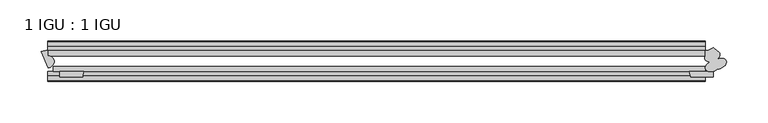
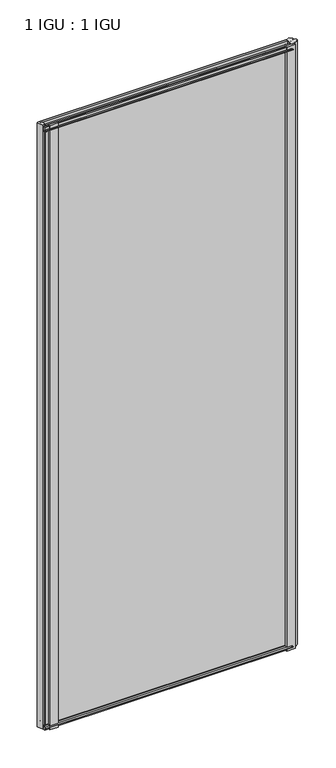
"""IFC4 building model written with IfcOpenShell, lengths in millimetres: plate geometry, 1 IGU : 1 IGU."""

from ifc_helpers import new_model, si_unit, point, frame, frame_2d, origin, place, context, project, spatial, polyline, circle_curve, ellipse_curve, trimmed, segment, composite_curve, outline, extrude, source, transform, mapped, element, save
from ifc_brep_helpers import plane_surface, cylinder_surface, revolved_surface, extruded_surface, advanced_brep


def plate_1_igu_1_igu_1c9b17e8(model_context):
    return source(origin(), model_context, "Body", "SolidModel", [
        advanced_brep(
        [(410.8213131, -30.3615789, -11.1125), (404.4214928, -23.310153, -11.1125), (404.4214928, -16.9263288, -11.1125), (413.9812267, -12.9529996, -11.1125), (418.5404185, -17.5121914, -11.1125), (418.9308777, -27.0024873, -11.1125), (419.2489934, -39.2391427, -11.1125), (410.8213131, -30.3615789, 2033.5875), (419.2489934, -39.2391427, 2033.5875), (418.9308777, -27.0024873, 2033.5875), (418.5404185, -17.5121914, 2033.5875), (413.9812267, -12.9529996, 2033.5875), (404.4214928, -16.9263288, 2033.5875), (404.4214928, -23.310153, 2033.5875)],
        [
            (0, 1, ellipse_curve(frame((412.8415867, -23.7702946, -11.1125), z_axis=(0.0, 0.0, -1.0), x_axis=(0.9238795325112812, 0.3826834323651031, 0.0)), 9.5957905, 5.9783877)),
            (1, 2),
            (2, 3, circle_curve(frame((404.0609682, -2.5720065, -11.1125), z_axis=(0.0, 0.0, 1.0), x_axis=(1.0, 0.0, 0.0)), 14.3588491)),
            (3, 4),
            (4, 5, ellipse_curve(frame((412.8415867, -23.7702946, -11.1125), z_axis=(0.0, 0.0, -1.0), x_axis=(0.923879532511281, 0.38268343236510366, 0.0)), 9.5957905, 5.9783877)),
            (5, 6, ellipse_curve(frame((420.7869513, -32.6970531, -11.1125), z_axis=(0.0, 0.0, -1.0), x_axis=(0.9238795325112809, 0.38268343236510405, 0.0)), 9.5957905, 5.9783877)),
            (6, 0, ellipse_curve(frame((413.5355369, -35.7006873, -11.1125), z_axis=(0.0, 0.0, -1.0), x_axis=(-0.9238795325112954, -0.382683432365069, 0.0)), 9.5957905, 5.9783877)),
            (7, 8, ellipse_curve(frame((413.5355369, -35.7006873, 2033.5875), z_axis=(0.0, 0.0, 1.0), x_axis=(-0.9238795325112954, -0.382683432365069, 0.0)), 9.5957905, 5.9783877)),
            (8, 9, ellipse_curve(frame((420.7869513, -32.6970531, 2033.5875), z_axis=(0.0, 0.0, 1.0), x_axis=(0.9238795325112809, 0.38268343236510405, 0.0)), 9.5957905, 5.9783877)),
            (9, 10, ellipse_curve(frame((412.8415867, -23.7702946, 2033.5875), z_axis=(0.0, 0.0, 1.0), x_axis=(0.923879532511281, 0.38268343236510366, 0.0)), 9.5957905, 5.9783877)),
            (10, 11),
            (11, 12, circle_curve(frame((404.0609682, -2.5720065, 2033.5875), z_axis=(0.0, 0.0, -1.0), x_axis=(1.0, 0.0, 0.0)), 14.3588491)),
            (12, 13),
            (13, 7, ellipse_curve(frame((412.8415867, -23.7702946, 2033.5875), z_axis=(0.0, 0.0, 1.0), x_axis=(0.9238795325112812, 0.3826834323651031, 0.0)), 9.5957905, 5.9783877)),
            (0, 7),
            (13, 1),
            (12, 2),
            (11, 3),
            (4, 10),
            (9, 5),
            (8, 6),
        ],
        [
            plane_surface(frame((404.4214928, -9.6242188, -11.1125), z_axis=(0.0, 0.0, -1.0), x_axis=(0.0, 1.0, 0.0))),
            plane_surface(frame((404.4214928, -9.6242188, 2033.5875), z_axis=(0.0, 0.0, 1.0), x_axis=(0.0, 1.0, 0.0))),
            extruded_surface(trimmed(ellipse_curve(frame((412.8415867, -23.7702946, 2033.5875), z_axis=(0.0, 0.0, -1.0), x_axis=(0.9238795325112812, 0.3826834323651031, 0.0)), 9.5957905, 5.9783877), [point((410.8213131, -30.3615789, 2033.5875))], [point((404.4214928, -23.310153, 2033.5875))], True, "CARTESIAN"), (0.0, 0.0, -2044.7), 2044.7),
            plane_surface(frame((404.4214928, -23.310153, -11.1125), z_axis=(-1.0, 0.0, 0.0), x_axis=(0.0, 0.0, 1.0))),
            revolved_surface(polyline([(418.4198173, -2.5720065, 2033.5875), (418.4198173, -2.5720065, -11.1125)]), (404.0609682, -2.5720065, -11.1125), (0.0, 0.0, 1.0)),
            extruded_surface(trimmed(ellipse_curve(frame((412.8415867, -23.7702946, 2033.5875), z_axis=(0.0, 0.0, -1.0), x_axis=(0.923879532511281, 0.38268343236510366, 0.0)), 9.5957905, 5.9783877), [point((418.5404185, -17.5121914, 2033.5875))], [point((418.9308777, -27.0024873, 2033.5875))], True, "CARTESIAN"), (0.0, 0.0, -2044.7), 2044.7),
            extruded_surface(trimmed(ellipse_curve(frame((420.7869513, -32.6970531, 2033.5875), z_axis=(0.0, 0.0, -1.0), x_axis=(0.9238795325112809, 0.38268343236510405, 0.0)), 9.5957905, 5.9783877), [point((418.9308777, -27.0024873, 2033.5875))], [point((419.2489934, -39.2391427, 2033.5875))], True, "CARTESIAN"), (0.0, 0.0, -2044.7), 2044.7),
            extruded_surface(trimmed(ellipse_curve(frame((413.5355369, -35.7006873, 2033.5875), z_axis=(0.0, 0.0, -1.0), x_axis=(-0.9238795325112954, -0.382683432365069, 0.0)), 9.5957905, 5.9783877), [point((419.2489934, -39.2391427, 2033.5875))], [point((410.8213131, -30.3615789, 2033.5875))], True, "CARTESIAN"), (0.0, 0.0, -2044.7), 2044.7),
            plane_surface(frame((413.9812267, -12.9529996, -11.1125), z_axis=(0.7071067811865541, 0.707106781186541, 0.0), x_axis=(0.0, 0.0, 1.0))),
        ],
        [
            (0, [[1, 2, 3, 4, 5, 6, 7]]),
            (1, [[8, 9, 10, 11, 12, 13, 14]]),
            (2, [[-1, 15, -14, 16]]),
            (3, [[-2, -16, -13, 17]]),
            (4, [[-3, -17, -12, 18]]),
            (5, [[-5, 19, -10, 20]]),
            (6, [[-6, -20, -9, 21]]),
            (7, [[-7, -21, -8, -15]]),
            (8, [[-4, -18, -11, -19]]),
        ],
    ),
        advanced_brep(
        [(-390.7201863, -16.9267187, -11.1125), (-387.9903924, -16.9267187, -11.1125), (-387.9903924, -23.2727004, -11.1125), (-387.3107394, -38.1171229, -11.1125), (-395.6717838, -17.9317761, -11.1125), (-390.7201863, -16.9267187, 2033.5875), (-395.6717838, -17.9317761, 2033.5875), (-387.3107394, -38.1171229, 2033.5875), (-387.9903924, -23.2727004, 2033.5875), (-387.9903924, -16.9267187, 2033.5875)],
        [
            (0, 1),
            (1, 2),
            (2, 3, ellipse_curve(frame((-390.1756356, -31.2006516, -11.1125), z_axis=(0.0, 0.0, -1.0), x_axis=(-0.9238795325112887, -0.382683432365085, 0.0)), 10.1284028, 7.4863346)),
            (3, 4),
            (4, 0, circle_curve(frame((-390.7201863, -29.6267187, -11.1125), z_axis=(0.0, 0.0, -1.0), x_axis=(1.0, 0.0, 0.0)), 12.7)),
            (5, 6, circle_curve(frame((-390.7201863, -29.6267187, 2033.5875), z_axis=(0.0, 0.0, 1.0), x_axis=(1.0, 0.0, 0.0)), 12.7)),
            (6, 7),
            (7, 8, ellipse_curve(frame((-390.1756356, -31.2006516, 2033.5875), z_axis=(0.0, 0.0, 1.0), x_axis=(-0.9238795325112887, -0.382683432365085, 0.0)), 10.1284028, 7.4863346)),
            (8, 9),
            (9, 5),
            (0, 5),
            (9, 1),
            (8, 2),
            (7, 3),
            (6, 4),
        ],
        [
            plane_surface(frame((-387.9511803, -9.6242187, -11.1125), z_axis=(0.0, 0.0, -1.0), x_axis=(0.0, 1.0, 0.0))),
            plane_surface(frame((-387.9511803, -9.6242187, 2033.5875), z_axis=(0.0, 0.0, 1.0), x_axis=(0.0, 1.0, 0.0))),
            plane_surface(frame((-390.7201863, -16.9267187, -11.1125), z_axis=(0.0, 1.0, 0.0), x_axis=(0.0, 0.0, 1.0))),
            plane_surface(frame((-387.9903924, -16.9267187, -11.1125), z_axis=(1.0, 0.0, 0.0), x_axis=(0.0, 0.0, 1.0))),
            extruded_surface(trimmed(ellipse_curve(frame((-390.1756356, -31.2006516, 2033.5875), z_axis=(0.0, 0.0, -1.0), x_axis=(-0.9238795325112887, -0.382683432365085, 0.0)), 10.1284028, 7.4863346), [point((-387.9903924, -23.2727004, 2033.5875))], [point((-387.3107394, -38.1171229, 2033.5875))], True, "CARTESIAN"), (0.0, 0.0, -2044.7), 2044.7),
            plane_surface(frame((-387.3107394, -38.1171229, -11.1125), z_axis=(-0.9238795325112933, -0.38268343236507424, 0.0), x_axis=(0.0, 0.0, 1.0))),
            cylinder_surface(frame((-390.7201863, -29.6267187, -11.1125), z_axis=(0.0, 0.0, -1.0), x_axis=(1.0, 0.0, 0.0)), 12.7),
        ],
        [
            (0, [[1, 2, 3, 4, 5]]),
            (1, [[6, 7, 8, 9, 10]]),
            (2, [[-1, 11, -10, 12]]),
            (3, [[-2, -12, -9, 13]]),
            (4, [[-3, -13, -8, 14]]),
            (5, [[-4, -14, -7, 15]]),
            (6, [[-5, -15, -6, -11]]),
        ],
    ),
        extrude(outline(composite_curve([segment(polyline([(-42.3267187, -8.2068385), (-47.0892187, -8.2068385), (-47.0892187, 0.0), (-53.563779, 0.0)]), True, "CONTINUOUS"), segment(trimmed(circle_curve(frame_2d((-53.0328134, 0.3482823)), 0.635), [point((-53.563779, 0.0))], [point((-53.0575397, 0.9828007))], False, "CARTESIAN"), True, "CONTINUOUS"), segment(trimmed(circle_curve(frame_2d((-54.2310045, 31.0958559)), 30.1359106), [point((-53.0575397, 0.9828007))], [point((-47.0834032, 1.8198434))], True, "CARTESIAN"), True, "CONTINUOUS"), segment(trimmed(circle_curve(frame_2d((-48.2159797, 6.4587878)), 4.7752), [point((-47.0834032, 1.8198434))], [point((-43.578416, 5.3205707))], True, "CARTESIAN"), True, "CONTINUOUS"), segment(trimmed(circle_curve(frame_2d((-42.9617187, 5.169212)), 0.635), [point((-43.578416, 5.3205707))], [point((-42.3267187, 5.169212))], False, "CARTESIAN"), True, "CONTINUOUS"), segment(polyline([(-42.3267187, 5.169212), (-42.3267187, -8.2068385)]), True, "CONTINUOUS")], self_intersect=False)), frame((-387.9511803, 0.0, 0.0), z_axis=(1.0, 0.0, 0.0), x_axis=(0.0, 1.0, 0.0)), (0.0, 0.0, 1.0), 792.372673),
        extrude(outline(composite_curve([segment(polyline([(-16.9267187, -8.2068385), (-16.9267187, 5.169212)]), True, "CONTINUOUS"), segment(trimmed(circle_curve(frame_2d((-16.2917187, 5.169212)), 0.635), [point((-16.9267187, 5.169212))], [point((-15.6750215, 5.3205707))], False, "CARTESIAN"), True, "CONTINUOUS"), segment(trimmed(circle_curve(frame_2d((-11.0374578, 6.4587878)), 4.7752), [point((-15.6750215, 5.3205707))], [point((-12.1700343, 1.8198434))], True, "CARTESIAN"), True, "CONTINUOUS"), segment(trimmed(circle_curve(frame_2d((-5.022433, 31.0958559)), 30.1359106), [point((-12.1700343, 1.8198434))], [point((-6.1958978, 0.9828007))], True, "CARTESIAN"), True, "CONTINUOUS"), segment(trimmed(circle_curve(frame_2d((-6.2206241, 0.3482823)), 0.635), [point((-6.1958978, 0.9828007))], [point((-5.6896585, 0.0))], False, "CARTESIAN"), True, "CONTINUOUS"), segment(polyline([(-5.6896585, 0.0), (-12.1642187, 0.0), (-12.1642187, -8.2068385), (-16.9267187, -8.2068385)]), True, "CONTINUOUS")], self_intersect=False)), frame((-387.9511803, 0.0, 0.0), z_axis=(1.0, 0.0, 0.0), x_axis=(0.0, 1.0, 0.0)), (0.0, 0.0, 1.0), 792.372673),
        extrude(outline(composite_curve([segment(polyline([(-47.0892187, 2022.475), (-47.0892187, 2030.6818385), (-42.3267188, 2030.6818385), (-42.3267188, 2017.305788)]), True, "CONTINUOUS"), segment(trimmed(circle_curve(frame_2d((-42.9617187, 2017.305788)), 0.635), [point((-42.3267188, 2017.305788))], [point((-43.578416, 2017.1544293))], False, "CARTESIAN"), True, "CONTINUOUS"), segment(trimmed(circle_curve(frame_2d((-48.2159797, 2016.0162122)), 4.7752), [point((-43.578416, 2017.1544293))], [point((-47.0834032, 2020.6551566))], True, "CARTESIAN"), True, "CONTINUOUS"), segment(trimmed(circle_curve(frame_2d((-54.2310045, 1991.3791441)), 30.1359106), [point((-47.0834032, 2020.6551566))], [point((-53.0575397, 2021.4921993))], True, "CARTESIAN"), True, "CONTINUOUS"), segment(trimmed(circle_curve(frame_2d((-53.0328134, 2022.1267177)), 0.635), [point((-53.0575397, 2021.4921993))], [point((-53.563779, 2022.475))], False, "CARTESIAN"), True, "CONTINUOUS"), segment(polyline([(-53.563779, 2022.475), (-47.0892187, 2022.475)]), True, "CONTINUOUS")], self_intersect=False)), frame((-387.9511803, 0.0, 0.0), z_axis=(1.0, 0.0, 0.0), x_axis=(0.0, 1.0, 0.0)), (0.0, 0.0, 1.0), 792.372673),
        extrude(outline(composite_curve([segment(polyline([(-12.1642187, 2022.475), (-5.6896585, 2022.475)]), True, "CONTINUOUS"), segment(trimmed(circle_curve(frame_2d((-6.2206241, 2022.1267177)), 0.635), [point((-5.6896585, 2022.475))], [point((-6.1958978, 2021.4921993))], False, "CARTESIAN"), True, "CONTINUOUS"), segment(trimmed(circle_curve(frame_2d((-5.022433, 1991.3791441)), 30.1359106), [point((-6.1958978, 2021.4921993))], [point((-12.1700343, 2020.6551566))], True, "CARTESIAN"), True, "CONTINUOUS"), segment(trimmed(circle_curve(frame_2d((-11.0374578, 2016.0162122)), 4.7752), [point((-12.1700343, 2020.6551566))], [point((-15.6750215, 2017.1544293))], True, "CARTESIAN"), True, "CONTINUOUS"), segment(trimmed(circle_curve(frame_2d((-16.2917187, 2017.305788)), 0.635), [point((-15.6750215, 2017.1544293))], [point((-16.9267187, 2017.305788))], False, "CARTESIAN"), True, "CONTINUOUS"), segment(polyline([(-16.9267187, 2017.305788), (-16.9267187, 2030.6818385), (-12.1642187, 2030.6818385), (-12.1642187, 2022.475)]), True, "CONTINUOUS")], self_intersect=False)), frame((-387.9511803, 0.0, 0.0), z_axis=(1.0, 0.0, 0.0), x_axis=(0.0, 1.0, 0.0)), (0.0, 0.0, 1.0), 792.372673),
        extrude(outline(composite_curve([segment(polyline([(413.9464928, -42.3267187), (413.9464928, -48.6767187), (386.5579108, -48.6767187)]), True, "CONTINUOUS"), segment(trimmed(circle_curve(frame_2d((374.7997165, -48.2428298)), 11.7661971), [point((386.5579108, -48.6767187))], [point((384.9704108, -42.3267187))], True, "CARTESIAN"), True, "CONTINUOUS"), segment(polyline([(384.9704108, -42.3267187), (413.9464928, -42.3267187)]), True, "CONTINUOUS")], self_intersect=False)), frame((0.0, 0.0, -11.1125), z_axis=(0.0, 0.0, 1.0), x_axis=(1.0, 0.0, 0.0)), (0.0, 0.0, 1.0), 2044.7),
        extrude(outline(composite_curve([segment(trimmed(circle_curve(frame_2d((-334.4176852, -48.2428298)), 11.7661971), [point((-344.5883796, -42.3267187))], [point((-346.1758796, -48.6767187))], True, "CARTESIAN"), True, "CONTINUOUS"), segment(polyline([(-346.1758796, -48.6767187), (-373.5644615, -48.6767187), (-373.5644615, -42.3267187), (-344.5883796, -42.3267187)]), True, "CONTINUOUS")], self_intersect=False)), frame((0.0, 0.0, -11.1125), z_axis=(0.0, 0.0, 1.0), x_axis=(1.0, 0.0, 0.0)), (0.0, 0.0, 1.0), 2044.7),
        extrude(outline(polyline([(404.4214928, -16.9267187), (404.4214928, -23.2259187), (-387.9511803, -23.2259187), (-387.9511803, -16.9267187), (404.4214928, -16.9267187)])), frame((0.0, 0.0, -11.1125), z_axis=(0.0, 0.0, 1.0), x_axis=(1.0, 0.0, 0.0)), (0.0, 0.0, 1.0), 2044.7),
        extrude(outline(polyline([(404.4214928, -36.0275187), (404.4214928, -42.3267187), (-381.6011803, -42.3267187), (-381.6011803, -36.0275187), (404.4214928, -36.0275187)])), frame((0.0, 0.0, -11.1125), z_axis=(0.0, 0.0, 1.0), x_axis=(1.0, 0.0, 0.0)), (0.0, 0.0, 1.0), 2044.7),
    ])


if __name__ == "__main__":
    model = new_model("IFC4")
    model_context = context("Model", 3, world=origin())
    ifc_project = project(units=[si_unit("LENGTHUNIT", "METRE", prefix="MILLI")], contexts=[model_context])
    site = spatial("IfcSite", under=ifc_project)
    building = spatial("IfcBuilding", under=site)
    placement = place(None, origin())
    plate_1_igu_1_igu_shape = plate_1_igu_1_igu_1c9b17e8(model_context)
    element("IfcPlate", 1, ObjectType="1 IGU : 1 IGU", at=placement, inside=building, context=model_context, shape_type="MappedRepresentation", body=[
        mapped(plate_1_igu_1_igu_shape, transform((0.0, 0.0, 0.0), x_axis=(1.0, 0.0, 0.0), y_axis=(0.0, 1.0, 0.0), z_axis=(0.0, 0.0, 1.0))),
    ])
    save(model, "model.ifc")
